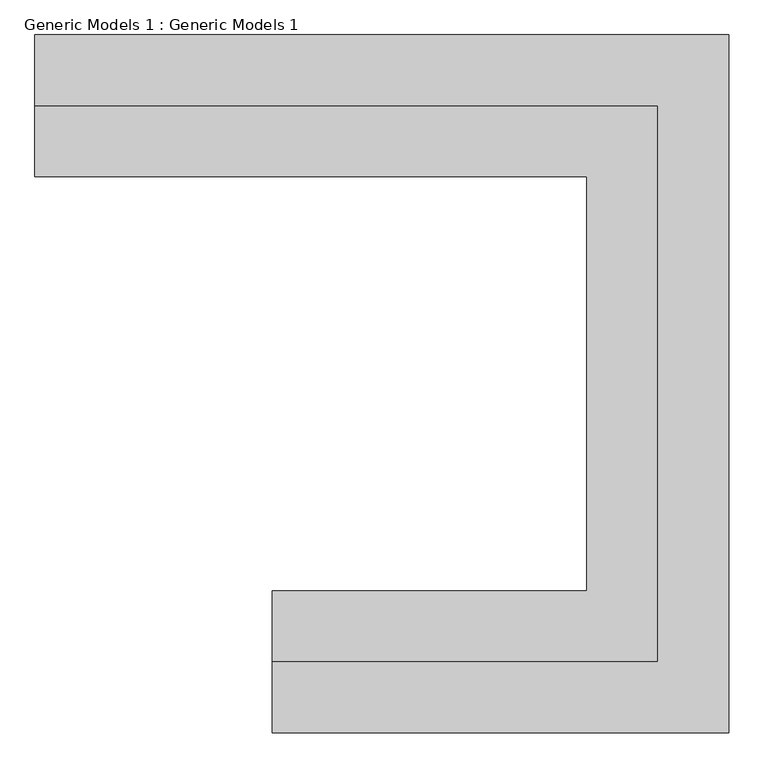
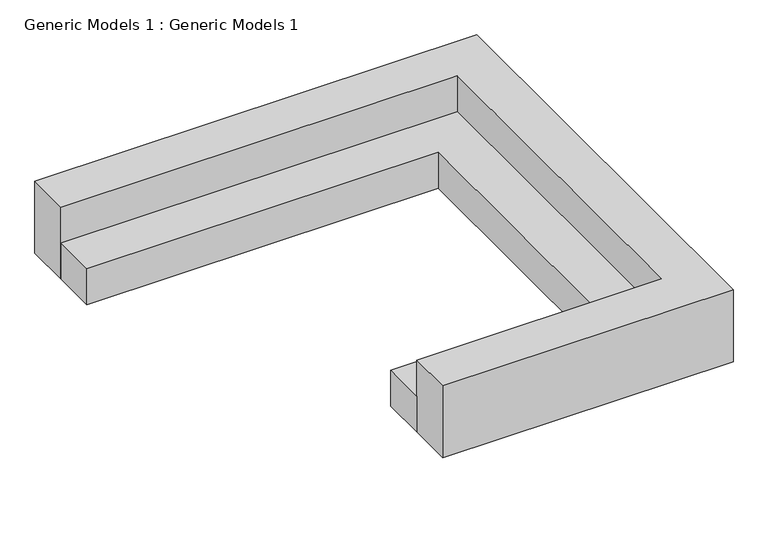
"""IFC4 building model written with IfcOpenShell, lengths in millimetres: proxy geometry, Generic Models 1 : Generic Models 1."""

from ifc_helpers import new_model, si_unit, origin, origin_with_axes, place, context, project, spatial, polyline, outline, extrude, source, transform, mapped, element, save


def generic_models_1_generic_models_1_7efd9db4(model_context):
    return source(origin(), model_context, "Body", "SweptSolid", [
        extrude(outline(polyline([(461027.2504676, -356581.8488632), (458403.1258545, -356581.8488632), (458403.1258545, -356099.2488632), (460544.6504676, -356099.2488632), (460544.6504676, -353275.1205223), (456785.4504676, -353275.1205223), (456785.4504676, -352792.5205223), (461027.2504676, -352792.5205223), (461027.2504676, -356581.8488632)])), origin_with_axes(), (0.0, 0.0, 1.0), 406.4),
        extrude(outline(polyline([(461027.2504676, -352792.5205223), (456785.4504676, -352792.5205223), (456785.4504676, -352309.9205223), (461509.8504676, -352309.9205223), (461509.8504676, -357064.4488632), (458403.1258545, -357064.4488632), (458403.1258545, -356581.8488632), (461027.2504676, -356581.8488632), (461027.2504676, -352792.5205223)])), origin_with_axes(), (0.0, 0.0, 1.0), 812.8),
    ])


if __name__ == "__main__":
    model = new_model("IFC4")
    model_context = context("Model", 3, world=origin())
    ifc_project = project(units=[si_unit("LENGTHUNIT", "METRE", prefix="MILLI")], contexts=[model_context])
    site = spatial("IfcSite", under=ifc_project)
    building = spatial("IfcBuilding", under=site)
    placement = place(None, origin())
    generic_models_1_generic_models_1_shape = generic_models_1_generic_models_1_7efd9db4(model_context)
    element("IfcBuildingElementProxy", 1, Name="Generic Models 1 : Generic Models 1", ObjectType="Generic Models 1 : Generic Models 1", at=placement, inside=building, context=model_context, shape_type="MappedRepresentation", body=[
        mapped(generic_models_1_generic_models_1_shape, transform((0.0, 0.0, 0.0), x_axis=(1.0, 0.0, 0.0), y_axis=(0.0, 1.0, 0.0), z_axis=(0.0, 0.0, 1.0))),
    ])
    save(model, "model.ifc")
